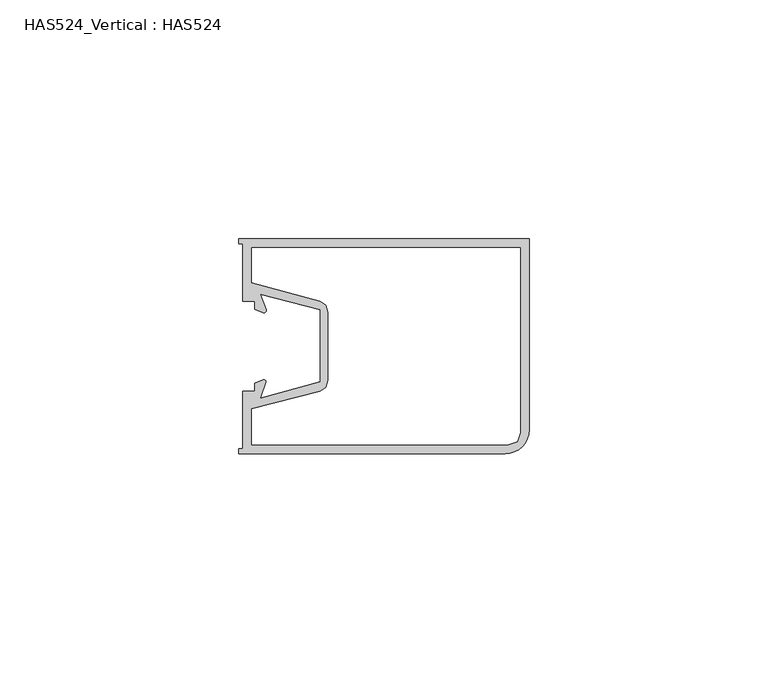
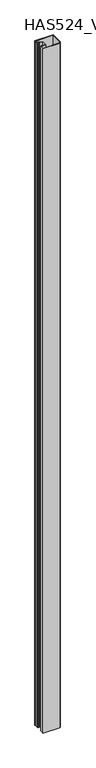
"""IFC4 building model written with IfcOpenShell, lengths in millimetres: beam geometry, HAS524_Vertical : HAS524."""

from ifc_helpers import new_model, si_unit, point, frame, frame_2d, origin, place, context, project, spatial, polyline, circle_curve, trimmed, segment, composite_curve, outline, extrude, source, transform, mapped, element, save


def has524_vertical_has524_1b4d9975(model_context):
    return source(origin(), model_context, "Body", "SweptSolid", [
        extrude(outline(composite_curve([segment(polyline([(-5.0, -45.0), (-60.8, -45.0), (-60.8, -43.943662), (-60.0, -43.943662), (-60.0, -31.9014085), (-57.4647887, -31.9014085), (-57.4647887, -30.2112676), (-55.7003733, -29.5496118)]), True, "CONTINUOUS"), segment(trimmed(circle_curve(frame_2d((-55.5552771, -29.936535)), 0.4132342), [point((-55.7003733, -29.5496118))], [point((-55.1632488, -30.0672111))], False, "CARTESIAN"), True, "CONTINUOUS"), segment(polyline([(-55.1632488, -30.0672111), (-56.2852113, -33.4330986), (-43.7323944, -29.8804146), (-43.7323944, -14.9003455), (-56.3082289, -11.5784269), (-55.1043059, -14.8892151)]), True, "CONTINUOUS"), segment(trimmed(circle_curve(frame_2d((-55.522799, -15.0413944)), 0.4453033), [point((-55.1043059, -14.8892151))], [point((-55.6791555, -15.4583449))], False, "CARTESIAN"), True, "CONTINUOUS"), segment(polyline([(-55.6791555, -15.4583449), (-57.4647887, -14.7887324), (-57.4647887, -13.0985915), (-60.0, -13.0985915), (-60.0, -1.056338), (-60.8, -1.056338), (-60.8, 0.0), (0.0, 0.0), (0.0, -40.0)]), True, "CONTINUOUS"), segment(trimmed(circle_curve(frame_2d((-5.0, -40.0)), 5.0), [point((0.0, -40.0))], [point((-5.0, -45.0))], False, "CARTESIAN"), True, "CONTINUOUS")], self_intersect=False), holes=[polyline([(-4.4366197, -43.0985915), (-2.5352113, -42.4647887), (-1.9014085, -40.5633803), (-1.9014085, -1.9014085), (-58.0985915, -1.9014085), (-58.0985915, -9.2390162), (-43.7323944, -13.0985915), (-42.4647887, -13.943662), (-42.0422535, -15.4225352), (-42.0422535, -29.5774648), (-42.4647887, -31.056338), (-43.7323944, -31.9014085), (-58.0985915, -35.546563), (-58.0985915, -43.0985915), (-4.4366197, -43.0985915)])]), frame((0.0, 0.0, -1200.0), z_axis=(0.0, 0.0, 1.0), x_axis=(1.0, 0.0, 0.0)), (0.0, 0.0, 1.0), 2400.0),
    ])


if __name__ == "__main__":
    model = new_model("IFC4")
    model_context = context("Model", 3, world=origin())
    ifc_project = project(units=[si_unit("LENGTHUNIT", "METRE", prefix="MILLI")], contexts=[model_context])
    site = spatial("IfcSite", under=ifc_project)
    building = spatial("IfcBuilding", under=site)
    placement = place(None, origin())
    has524_vertical_has524_shape = has524_vertical_has524_1b4d9975(model_context)
    element("IfcBeam", 1, ObjectType="HAS524_Vertical : HAS524", at=placement, inside=building, context=model_context, shape_type="MappedRepresentation", body=[
        mapped(has524_vertical_has524_shape, transform((0.0, 0.0, 0.0), x_axis=(1.0, 0.0, 0.0), y_axis=(0.0, 1.0, 0.0), z_axis=(0.0, 0.0, 1.0))),
    ])
    save(model, "model.ifc")
